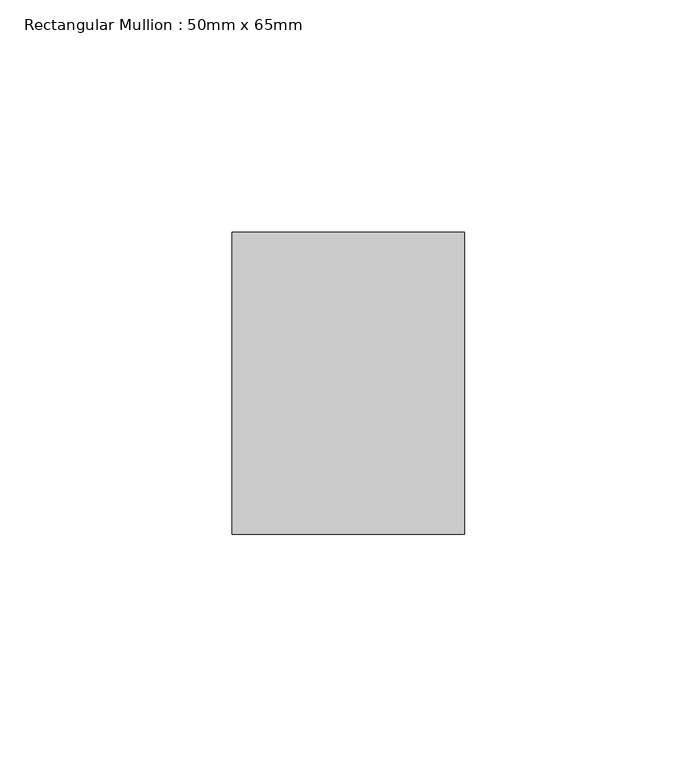
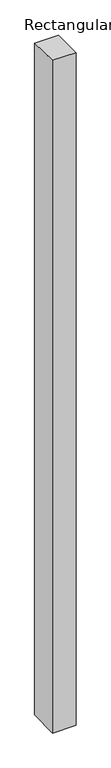
"""IFC4 building model written with IfcOpenShell, lengths in millimetres: member geometry, Rectangular Mullion : 50mm x 65mm."""

from ifc_helpers import new_model, si_unit, origin, place, context, project, spatial, faceted_brep, source, transform, mapped, element, save


def rectangular_mullion_50mm_x_65mm_8125dbce(model_context):
    return source(origin(), model_context, "Body", "Brep", [
        faceted_brep([(-25.0, 32.5, -0.4518136), (25.0, 32.5, -0.4518159), (25.0, 32.5, -1499.4316194), (-25.0, 32.5, -1499.4316224), (-25.0, -32.5, 0.4518159), (-25.0, -32.5, -1500.5682619), (25.0, -32.5, 0.4518136), (25.0, -32.5, -1500.5682589)], [[[0, 1, 2, 3]], [[4, 0, 3, 5]], [[6, 4, 5, 7]], [[1, 6, 7, 2]], [[1, 0, 4, 6]], [[2, 7, 5, 3]]]),
    ])


if __name__ == "__main__":
    model = new_model("IFC4")
    model_context = context("Model", 3, world=origin())
    ifc_project = project(units=[si_unit("LENGTHUNIT", "METRE", prefix="MILLI")], contexts=[model_context])
    site = spatial("IfcSite", under=ifc_project)
    building = spatial("IfcBuilding", under=site)
    placement = place(None, origin())
    rectangular_mullion_50mm_x_65mm_shape = rectangular_mullion_50mm_x_65mm_8125dbce(model_context)
    element("IfcMember", 1, ObjectType="Rectangular Mullion : 50mm x 65mm", at=placement, inside=building, context=model_context, shape_type="MappedRepresentation", body=[
        mapped(rectangular_mullion_50mm_x_65mm_shape, transform((0.0, 0.0, 0.0), x_axis=(1.0, 0.0, 0.0), y_axis=(0.0, 1.0, 0.0), z_axis=(0.0, 0.0, 1.0))),
    ])
    save(model, "model.ifc")
